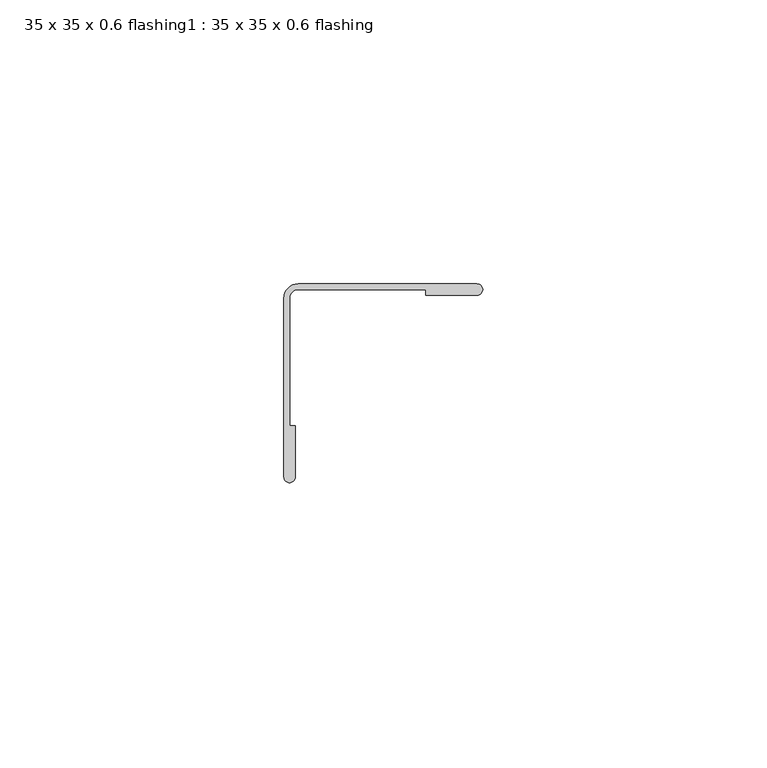
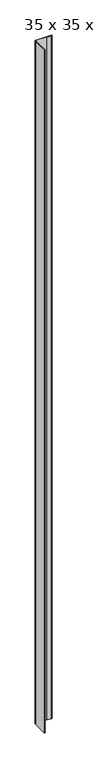
"""IFC4 building model written with IfcOpenShell, lengths in millimetres: proxy geometry, 35 x 35 x 0.6 flashing1 : 35 x 35 x 0.6 flashing."""

from ifc_helpers import new_model, si_unit, point, frame, frame_2d, origin, place, context, project, spatial, polyline, circle_curve, trimmed, segment, composite_curve, outline, extrude, source, transform, mapped, element, save


def proxy_35_x_35_x_0_6_flashing1_35_x_35_x_0_6_flashing_be1df46b(model_context):
    return source(origin(), model_context, "Body", "SweptSolid", [
        extrude(outline(composite_curve([segment(polyline([(-10707.7294369, 959.0153122), (-10707.7294369, 990.5170963)]), True, "CONTINUOUS"), segment(trimmed(circle_curve(frame_2d((-10705.2294369, 990.5170963)), 2.5), [point((-10707.7294369, 990.5170963))], [point((-10705.2294369, 993.0170963))], False, "CARTESIAN"), True, "CONTINUOUS"), segment(polyline([(-10705.2294369, 993.0170963), (-10673.7276528, 993.0170963)]), True, "CONTINUOUS"), segment(trimmed(circle_curve(frame_2d((-10673.7276528, 992.0170963)), 1.0), [point((-10673.7276528, 993.0170963))], [point((-10673.7276528, 991.0170963))], False, "CARTESIAN"), True, "CONTINUOUS"), segment(polyline([(-10673.7276528, 991.0170963), (-10682.7294369, 991.0170963), (-10682.7294369, 992.0170963), (-10705.2294369, 992.0170963)]), True, "CONTINUOUS"), segment(trimmed(circle_curve(frame_2d((-10705.2294369, 990.5170963)), 1.5), [point((-10705.2294369, 992.0170963))], [point((-10706.7294369, 990.5170963))], True, "CARTESIAN"), True, "CONTINUOUS"), segment(polyline([(-10706.7294369, 990.5170963), (-10706.7294369, 968.0170963), (-10705.7294369, 968.0170963), (-10705.7294369, 959.0153122)]), True, "CONTINUOUS"), segment(trimmed(circle_curve(frame_2d((-10706.7294369, 959.0153122)), 1.0), [point((-10705.7294369, 959.0153122))], [point((-10707.7294369, 959.0153122))], False, "CARTESIAN"), True, "CONTINUOUS")], self_intersect=False)), frame((0.0, 0.0, -48.9041894), z_axis=(0.0, 0.0, 1.0), x_axis=(1.0, 0.0, 0.0)), (0.0, 0.0, 1.0), 1500.0),
    ])


if __name__ == "__main__":
    model = new_model("IFC4")
    model_context = context("Model", 3, world=origin())
    ifc_project = project(units=[si_unit("LENGTHUNIT", "METRE", prefix="MILLI")], contexts=[model_context])
    site = spatial("IfcSite", under=ifc_project)
    building = spatial("IfcBuilding", under=site)
    placement = place(None, origin())
    proxy_35_x_35_x_0_6_flashing1_35_x_35_x_0_6_flashing_shape = proxy_35_x_35_x_0_6_flashing1_35_x_35_x_0_6_flashing_be1df46b(model_context)
    element("IfcBuildingElementProxy", 1, Name="35 x 35 x 0.6 flashing1 : 35 x 35 x 0.6 flashing", ObjectType="35 x 35 x 0.6 flashing1 : 35 x 35 x 0.6 flashing", at=placement, inside=building, context=model_context, shape_type="MappedRepresentation", body=[
        mapped(proxy_35_x_35_x_0_6_flashing1_35_x_35_x_0_6_flashing_shape, transform((0.0, 0.0, 0.0), x_axis=(1.0, 0.0, 0.0), y_axis=(0.0, 1.0, 0.0), z_axis=(0.0, 0.0, 1.0))),
    ])
    save(model, "model.ifc")
